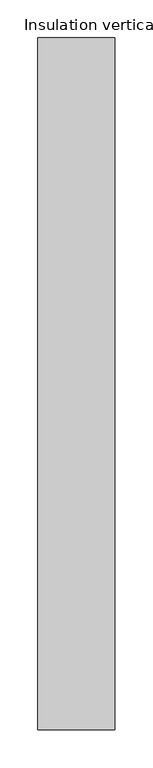
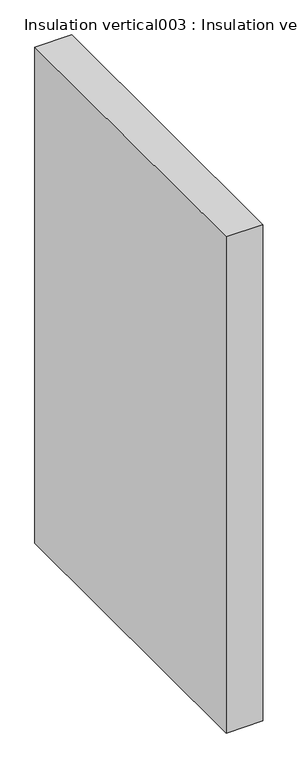
"""IFC4 building model written with IfcOpenShell, lengths in millimetres: proxy geometry, Insulation vertical003 : Insulation vertical003."""

import ifcopenshell
import ifcopenshell.guid

model = None  # the IFC model being written
_history = None  # IfcOwnerHistory: only IFC2X3 demands one
_inside = {}  # id of a spatial element -> (the spatial element, [elements in it])
_under = {}  # id of a project, library or spatial element -> (it, [spatial elements below it])
_declared = {}  # id of a project -> (the project, [libraries it declares])
_typed = {}  # id of a type object -> (the type object, [elements of that type])
_made_of = {}  # id of a material, layer set ... -> (it, [elements and type objects made of it])


def new_model(schema):
    """Start an empty IFC model of exactly this schema.

    Asked for "IFC4X3", IfcOpenShell would pick the latest addendum, in which some entities
    have other attributes; the version numbers below select the first issue.
    IFC2X3 requires an IfcOwnerHistory on every rooted entity: one is made here for all.
    """
    global model, _history
    if schema == "IFC4X3":
        model = ifcopenshell.file(schema_version=(4, 3, 0, 0))
    else:
        model = ifcopenshell.file(schema=schema)
    _inside.clear()
    _under.clear()
    _declared.clear()
    _typed.clear()
    _made_of.clear()
    _history = None
    if model.schema == "IFC2X3":
        org = make("IfcOrganization", Name="unknown")
        user = make(
            "IfcPersonAndOrganization",
            ThePerson=make("IfcPerson", FamilyName="unknown"),
            TheOrganization=org,
        )
        app = make(
            "IfcApplication",
            ApplicationDeveloper=org,
            Version="unknown",
            ApplicationFullName="unknown",
            ApplicationIdentifier="unknown",
        )
        _history = make(
            "IfcOwnerHistory",
            OwningUser=user,
            OwningApplication=app,
            ChangeAction="ADDED",
            CreationDate=0,
        )
    return model


def make(cls, **values):
    """One entity of the class cls with the attributes given. An attribute that is None is left unset."""
    return model.create_entity(
        cls, **{name: value for name, value in values.items() if value is not None}
    )


def rooted(cls, **values):
    """An entity with a GlobalId (a new one), such as an element, a storey or a relation."""
    return make(cls, GlobalId=ifcopenshell.guid.new(), OwnerHistory=_history, **values)


def si_unit(unit_type, name, prefix=None):
    """IfcSIUnit, for example si_unit("LENGTHUNIT", "METRE", prefix="MILLI")."""
    return make("IfcSIUnit", UnitType=unit_type, Prefix=prefix, Name=name)


def assignment(units):
    """IfcUnitAssignment: the units of a project."""
    return None if units is None else make("IfcUnitAssignment", Units=units)


def point(xyz):
    """IfcCartesianPoint."""
    return None if xyz is None else make("IfcCartesianPoint", Coordinates=xyz)


def direction(xyz):
    """IfcDirection."""
    return None if xyz is None else make("IfcDirection", DirectionRatios=xyz)


def frame(location, z_axis=None, x_axis=None):
    """IfcAxis2Placement3D, a coordinate frame: its origin and axes. An axis left out is left unset."""
    return make(
        "IfcAxis2Placement3D",
        Location=point(location),
        Axis=direction(z_axis),
        RefDirection=direction(x_axis),
    )


def origin():
    """The frame at (0, 0, 0) with its axes left unset."""
    return frame((0.0, 0.0, 0.0))


def place(relative_to, where):
    """IfcLocalPlacement: puts the frame where relative to a parent placement (None: the world)."""
    return make(
        "IfcLocalPlacement", PlacementRelTo=relative_to, RelativePlacement=where
    )


def context(
    kind, dimensions, precision=None, world=None, true_north=None, identifier=None
):
    """IfcGeometricRepresentationContext, for example the 3D "Model" context."""
    return make(
        "IfcGeometricRepresentationContext",
        ContextIdentifier=identifier,
        ContextType=kind,
        CoordinateSpaceDimension=dimensions,
        Precision=precision,
        WorldCoordinateSystem=world,
        TrueNorth=true_north,
    )


def project(units=None, contexts=None):
    """IfcProject with its units and contexts."""
    return rooted(
        "IfcProject",
        Name="project",
        RepresentationContexts=contexts,
        UnitsInContext=assignment(units),
    )


def spatial(cls, under=None, at=None, **own):
    """A site, building, storey or space (cls), placed at a placement, below another one or the project."""
    s = rooted(cls, ObjectPlacement=at, **own)
    if under is not None:
        _under.setdefault(under.id(), (under, []))[1].append(s)
    return s


def polyline(points):
    """IfcPolyline through the points."""
    return make("IfcPolyline", Points=[point(p) for p in points])


def outline(outer, holes=None, kind="AREA"):
    """IfcArbitraryClosedProfileDef: a profile drawn as a closed curve; with holes, ...WithVoids."""
    if holes is None:
        return make("IfcArbitraryClosedProfileDef", ProfileType=kind, OuterCurve=outer)
    return make(
        "IfcArbitraryProfileDefWithVoids",
        ProfileType=kind,
        OuterCurve=outer,
        InnerCurves=holes,
    )


def extrude(swept, where, along, depth):
    """IfcExtrudedAreaSolid: the profile swept, set in the frame where, extruded along a direction by depth."""
    return make(
        "IfcExtrudedAreaSolid",
        SweptArea=swept,
        Position=where,
        ExtrudedDirection=direction(along),
        Depth=depth,
    )


def shape(context_of_items, identifier, shape_type, items):
    """IfcShapeRepresentation: the items that make up one representation, for example the "Body"."""
    return make(
        "IfcShapeRepresentation",
        ContextOfItems=context_of_items,
        RepresentationIdentifier=identifier,
        RepresentationType=shape_type,
        Items=items,
    )


def source(mapping_origin, context_of_items, identifier, shape_type, items):
    """IfcRepresentationMap: a shape defined once, which mapped items show again and again."""
    return make(
        "IfcRepresentationMap",
        MappingOrigin=mapping_origin,
        MappedRepresentation=shape(context_of_items, identifier, shape_type, items),
    )


def transform(
    local_origin,
    x_axis=None,
    y_axis=None,
    z_axis=None,
    scale=None,
    scale2=None,
    scale3=None,
    uniform=True,
):
    """IfcCartesianTransformationOperator3D, or its non-uniform kind. x_axis, y_axis, z_axis: its Axis1, 2, 3."""
    if uniform:
        return make(
            "IfcCartesianTransformationOperator3D",
            Axis1=direction(x_axis),
            Axis2=direction(y_axis),
            LocalOrigin=point(local_origin),
            Scale=scale,
            Axis3=direction(z_axis),
        )
    return make(
        "IfcCartesianTransformationOperator3DnonUniform",
        Axis1=direction(x_axis),
        Axis2=direction(y_axis),
        LocalOrigin=point(local_origin),
        Scale=scale,
        Axis3=direction(z_axis),
        Scale2=scale2,
        Scale3=scale3,
    )


def mapped(mapping_source, mapping_target):
    """IfcMappedItem: shows the shape of a source again, moved by a transform."""
    return make(
        "IfcMappedItem", MappingSource=mapping_source, MappingTarget=mapping_target
    )


def made_of(thing, what):
    """Note that an element or type object is made of a material, layer set ...; save() writes the relation."""
    if what is not None:
        _made_of.setdefault(what.id(), (what, []))[1].append(thing)
    return thing


def element(
    cls,
    number,
    at=None,
    inside=None,
    cuts=None,
    type_object=None,
    material=None,
    context=None,
    identifier="Body",
    shape_type=None,
    held_by="IfcProductDefinitionShape",
    body=None,
    shapes=None,
    **own,
):
    """One element of the class cls, such as IfcWall. Its Tag is "e" and its number.

    at: its placement. inside: the storey or other place that contains it. cuts: it is an
    opening in that element (IfcRelVoidsElement). A single representation is given by context,
    identifier, shape_type and body (its items); several are given by shapes. held_by: the class
    of the entity that holds the representations. save() writes the other relations.
    """
    e = rooted(cls, Tag="e%d" % number, ObjectPlacement=at, **own)
    if body is not None:
        shapes = [shape(context, identifier, shape_type, body)]
    if shapes is not None:
        e.Representation = make(held_by, Representations=shapes)
    if inside is not None:
        _inside.setdefault(inside.id(), (inside, []))[1].append(e)
    if cuts is not None:
        rooted(
            "IfcRelVoidsElement", RelatingBuildingElement=cuts, RelatedOpeningElement=e
        )
    if type_object is not None:
        _typed.setdefault(type_object.id(), (type_object, []))[1].append(e)
    return made_of(e, material)


def aggregate(whole, parts):
    """IfcRelAggregates: a whole, such as a stair, and the parts it consists of."""
    return rooted("IfcRelAggregates", RelatingObject=whole, RelatedObjects=parts)


def save(model, path):
    """Write the relations noted so far, then the file.

    IfcRelAggregates (storeys below a building ...), IfcRelContainedInSpatialStructure (elements
    in a storey), IfcRelDefinesByType, IfcRelAssociatesMaterial and IfcRelDeclares: one each for
    every whole, place, type object, material and project.
    """
    for whole, parts in _under.values():
        aggregate(whole, parts)
    for where, things in _inside.values():
        rooted(
            "IfcRelContainedInSpatialStructure",
            RelatedElements=things,
            RelatingStructure=where,
        )
    for kind, things in _typed.values():
        rooted("IfcRelDefinesByType", RelatedObjects=things, RelatingType=kind)
    for what, things in _made_of.values():
        rooted("IfcRelAssociatesMaterial", RelatedObjects=things, RelatingMaterial=what)
    for by, libraries in _declared.values():
        rooted("IfcRelDeclares", RelatingContext=by, RelatedDefinitions=libraries)
    model.write(path)


def insulation_vertical003_insulation_vertical003_30462a25(model_context):
    return source(origin(), model_context, "Body", "SweptSolid", [
        extrude(outline(polyline([(37605.2710168, -19576.8264268), (37503.6710167, -19576.8264268), (37503.6710167, -18662.4264268), (37605.2710168, -18662.4264268), (37605.2710168, -19576.8264268)])), frame((0.0, 0.0, 3125.8753938), z_axis=(0.0, 0.0, 1.0), x_axis=(1.0, 0.0, 0.0)), (0.0, 0.0, 1.0), 1449.1076141),
    ])


if __name__ == "__main__":
    model = new_model("IFC4")
    model_context = context("Model", 3, world=origin())
    ifc_project = project(units=[si_unit("LENGTHUNIT", "METRE", prefix="MILLI")], contexts=[model_context])
    site = spatial("IfcSite", under=ifc_project)
    building = spatial("IfcBuilding", under=site)
    placement = place(None, origin())
    insulation_vertical003_insulation_vertical003_shape = insulation_vertical003_insulation_vertical003_30462a25(model_context)
    element("IfcBuildingElementProxy", 1, Name="Insulation vertical003 : Insulation vertical003", ObjectType="Insulation vertical003 : Insulation vertical003", at=placement, inside=building, context=model_context, shape_type="MappedRepresentation", body=[
        mapped(insulation_vertical003_insulation_vertical003_shape, transform((0.0, 0.0, 0.0), x_axis=(1.0, 0.0, 0.0), y_axis=(0.0, 1.0, 0.0), z_axis=(0.0, 0.0, 1.0))),
    ])
    save(model, "model.ifc")
